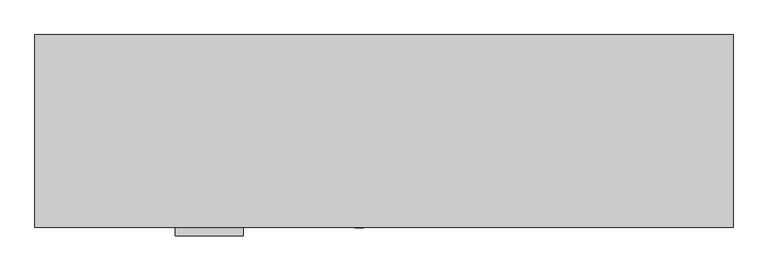
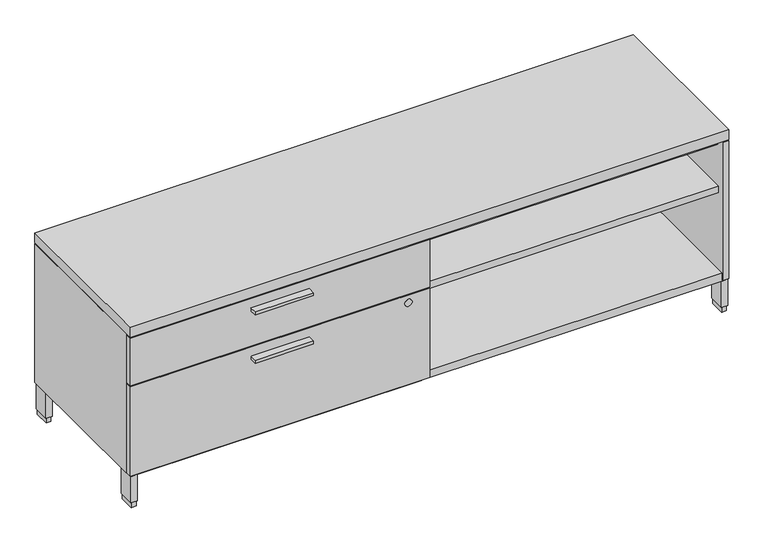
"""IFC4 building model written with IfcOpenShell, lengths in millimetres: furniture geometry."""

from ifc_helpers import new_model, si_unit, point, frame, frame_2d, origin, origin_with_axes, place, context, project, spatial, polyline, circle_curve, trimmed, segment, composite_curve, outline, extrude, faceted_brep, source, transform, mapped, element, save


def furniture_986946dc(model_context):
    return source(origin(), model_context, "Body", "SolidModel", [
        extrude(outline(polyline([(546.89375, -528.574), (369.09375, -528.574), (369.09375, -506.349), (546.89375, -506.349), (546.89375, -528.574)])), frame((0.0, 0.0, 354.838), z_axis=(0.0, 0.0, 1.0), x_axis=(1.0, 0.0, 0.0)), (0.0, 0.0, 1.0), 9.525),
        extrude(outline(polyline([(546.89375, -528.574), (369.09375, -528.574), (369.09375, -506.349), (546.89375, -506.349), (546.89375, -528.574)])), frame((0.0, 0.0, 510.794), z_axis=(0.0, 0.0, 1.0), x_axis=(1.0, 0.0, 0.0)), (0.0, 0.0, 1.0), 9.525),
        extrude(outline(polyline([(1807.9085, -20.828), (1807.9085, -503.809), (916.6098, -503.809), (916.6098, -20.828), (1807.9085, -20.828)])), frame((0.0, 0.0, 102.108), z_axis=(0.0, 0.0, 1.0), x_axis=(1.0, 0.0, 0.0)), (0.0, 0.0, 1.0), 25.4),
        extrude(outline(polyline([(892.175, -20.828), (892.175, -503.809), (20.8915, -503.809), (20.8915, -20.828), (892.175, -20.828)])), frame((0.0, 0.0, 102.108), z_axis=(0.0, 0.0, 1.0), x_axis=(1.0, 0.0, 0.0)), (0.0, 0.0, 1.0), 25.4),
        extrude(outline(polyline([(21.2979, -5.715), (21.2979, -52.197), (6.5659, -52.197), (6.5659, -5.715), (21.2979, -5.715)])), origin_with_axes(), (0.0, 0.0, 1.0), 17.399),
        extrude(outline(polyline([(21.2979, -455.676), (21.2979, -502.158), (6.5659, -502.158), (6.5659, -455.676), (21.2979, -455.676)])), origin_with_axes(), (0.0, 0.0, 1.0), 17.399),
        extrude(outline(polyline([(1822.2341, -455.676), (1822.2341, -502.158), (1807.5021, -502.158), (1807.5021, -455.676), (1822.2341, -455.676)])), origin_with_axes(), (0.0, 0.0, 1.0), 17.399),
        extrude(outline(polyline([(1822.2341, -5.715), (1822.2341, -52.197), (1807.5021, -52.197), (1807.5021, -5.715), (1822.2341, -5.715)])), origin_with_axes(), (0.0, 0.0, 1.0), 17.399),
        extrude(outline(polyline([(23.4569, -3.556), (23.4569, -54.356), (4.4069, -54.356), (4.4069, -3.556), (23.4569, -3.556)])), frame((0.0, 0.0, 17.399), z_axis=(0.0, 0.0, 1.0), x_axis=(1.0, 0.0, 0.0)), (0.0, 0.0, 1.0), 84.709),
        extrude(outline(polyline([(1824.3931, -3.556), (1824.3931, -54.356), (1805.3431, -54.356), (1805.3431, -3.556), (1824.3931, -3.556)])), frame((0.0, 0.0, 17.399), z_axis=(0.0, 0.0, 1.0), x_axis=(1.0, 0.0, 0.0)), (0.0, 0.0, 1.0), 84.709),
        extrude(outline(polyline([(1824.3931, -453.517), (1824.3931, -504.317), (1805.3431, -504.317), (1805.3431, -453.517), (1824.3931, -453.517)])), frame((0.0, 0.0, 17.399), z_axis=(0.0, 0.0, 1.0), x_axis=(1.0, 0.0, 0.0)), (0.0, 0.0, 1.0), 84.709),
        extrude(outline(polyline([(23.4569, -453.517), (23.4569, -504.317), (4.4069, -504.317), (4.4069, -453.517), (23.4569, -453.517)])), frame((0.0, 0.0, 17.399), z_axis=(0.0, 0.0, 1.0), x_axis=(1.0, 0.0, 0.0)), (0.0, 0.0, 1.0), 84.709),
        extrude(outline(polyline([(916.6098, -20.828), (1807.9085, -20.828), (1807.9085, -483.2858), (916.6098, -483.2858), (916.6098, -20.828)])), frame((0.0, 0.0, 374.0912), z_axis=(0.0, 0.0, 1.0), x_axis=(1.0, 0.0, 0.0)), (0.0, 0.0, 1.0), 22.225),
        extrude(outline(polyline([(892.175, -20.828), (916.6098, -20.828), (916.6098, -483.2858), (892.175, -483.2858), (892.175, -20.828)])), frame((0.0, 0.0, 102.108), z_axis=(0.0, 0.0, 1.0), x_axis=(1.0, 0.0, 0.0)), (0.0, 0.0, 1.0), 428.625),
        extrude(outline(composite_curve([segment(trimmed(circle_curve(frame_2d((368.681, 849.73668)), 11.176), [point((368.681, 860.91268))], [point((368.681, 838.56068))], False, "CARTESIAN"), True, "CONTINUOUS"), segment(trimmed(circle_curve(frame_2d((368.681, 849.73668)), 11.176), [point((368.681, 838.56068))], [point((368.681, 860.91268))], False, "CARTESIAN"), True, "CONTINUOUS")], self_intersect=False)), frame((0.0, -506.603, 0.0), z_axis=(0.0, 1.0, 0.0), x_axis=(0.0, 0.0, 1.0)), (0.0, 0.0, 1.0), 4.69392),
        extrude(outline(polyline([(914.4, -487.045), (914.4, -506.349), (1.5875, -506.349), (1.5875, -487.045), (914.4, -487.045)])), frame((0.0, 0.0, 105.283), z_axis=(0.0, 0.0, 1.0), x_axis=(1.0, 0.0, 0.0)), (0.0, 0.0, 1.0), 288.798),
        extrude(outline(polyline([(914.4, -487.045), (914.4, -506.349), (1.5875, -506.349), (1.5875, -487.045), (914.4, -487.045)])), frame((0.0, 0.0, 397.256), z_axis=(0.0, 0.0, 1.0), x_axis=(1.0, 0.0, 0.0)), (0.0, 0.0, 1.0), 152.781),
        extrude(outline(polyline([(1827.2125, -506.349), (1.5875, -506.349), (1.5875, -1.524), (1827.2125, -1.524), (1827.2125, -506.349)])), frame((0.0, 0.0, 553.212), z_axis=(0.0, 0.0, 1.0), x_axis=(1.0, 0.0, 0.0)), (0.0, 0.0, 1.0), 31.72968),
        faceted_brep([(1827.2125, -506.349, 550.037), (1807.9085, -506.349, 550.037), (1807.9085, -506.349, 105.283), (1827.2125, -506.349, 105.283), (1827.2125, -1.524, 550.037), (1827.2125, -1.524, 102.108), (1.5875, -1.524, 102.108), (1.5875, -1.524, 550.037), (1.5875, -483.2858, 550.037), (1807.9085, -483.2858, 550.037), (1.5875, -483.2858, 102.108), (1.5875, -483.2858, 105.283), (1827.2125, -483.2858, 105.283), (1827.2125, -483.2858, 102.108), (1807.9085, -20.828, 530.733), (20.8915, -20.828, 530.733), (20.8915, -20.828, 102.108), (1807.9085, -20.828, 102.108), (1807.9085, -483.2858, 530.733), (20.8915, -483.2858, 530.733), (20.8915, -483.2858, 105.283), (20.8915, -483.2858, 102.108), (1807.9085, -483.2858, 102.108), (1807.9085, -483.2858, 105.283)], [[[0, 1, 2, 3]], [[4, 5, 6, 7]], [[4, 7, 8, 9, 1, 0]], [[7, 6, 10, 11, 8]], [[5, 4, 0, 3, 12, 13]], [[14, 15, 16, 17]], [[15, 14, 18, 19]], [[16, 15, 19, 20, 21]], [[14, 17, 22, 23, 2, 1, 9, 18]], [[18, 9, 8, 11, 10, 21, 20, 19]], [[12, 23, 22, 13]], [[23, 12, 3, 2]], [[6, 5, 13, 22, 17, 16, 21, 10]]]),
    ])


if __name__ == "__main__":
    model = new_model("IFC4")
    model_context = context("Model", 3, world=origin())
    ifc_project = project(units=[si_unit("LENGTHUNIT", "METRE", prefix="MILLI")], contexts=[model_context])
    site = spatial("IfcSite", under=ifc_project)
    building = spatial("IfcBuilding", under=site)
    placement = place(None, origin())
    furniture_shape = furniture_986946dc(model_context)
    element("IfcFurniture", 1, at=placement, inside=building, context=model_context, shape_type="MappedRepresentation", body=[
        mapped(furniture_shape, transform((0.0, 0.0, 0.0), x_axis=(1.0, 0.0, 0.0), y_axis=(0.0, 1.0, 0.0), z_axis=(0.0, 0.0, 1.0))),
    ])
    save(model, "model.ifc")
